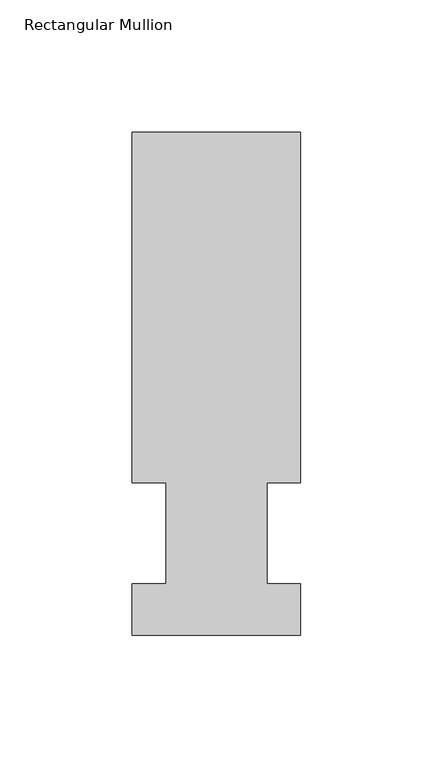
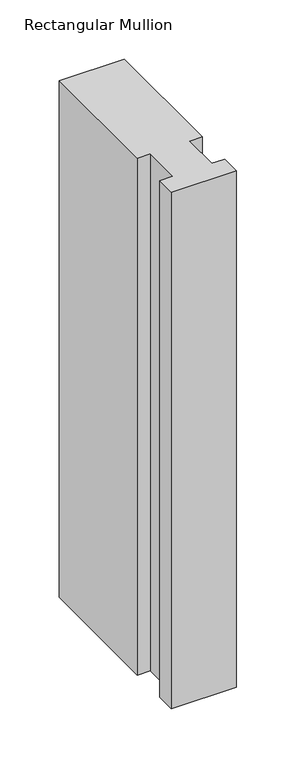
"""IFC4 building model written with IfcOpenShell, lengths in millimetres: member geometry, Rectangular Mullion."""

import ifcopenshell
import ifcopenshell.guid

model = None  # the IFC model being written
_history = None  # IfcOwnerHistory: only IFC2X3 demands one
_inside = {}  # id of a spatial element -> (the spatial element, [elements in it])
_under = {}  # id of a project, library or spatial element -> (it, [spatial elements below it])
_declared = {}  # id of a project -> (the project, [libraries it declares])
_typed = {}  # id of a type object -> (the type object, [elements of that type])
_made_of = {}  # id of a material, layer set ... -> (it, [elements and type objects made of it])


def new_model(schema):
    """Start an empty IFC model of exactly this schema.

    Asked for "IFC4X3", IfcOpenShell would pick the latest addendum, in which some entities
    have other attributes; the version numbers below select the first issue.
    IFC2X3 requires an IfcOwnerHistory on every rooted entity: one is made here for all.
    """
    global model, _history
    if schema == "IFC4X3":
        model = ifcopenshell.file(schema_version=(4, 3, 0, 0))
    else:
        model = ifcopenshell.file(schema=schema)
    _inside.clear()
    _under.clear()
    _declared.clear()
    _typed.clear()
    _made_of.clear()
    _history = None
    if model.schema == "IFC2X3":
        org = make("IfcOrganization", Name="unknown")
        user = make(
            "IfcPersonAndOrganization",
            ThePerson=make("IfcPerson", FamilyName="unknown"),
            TheOrganization=org,
        )
        app = make(
            "IfcApplication",
            ApplicationDeveloper=org,
            Version="unknown",
            ApplicationFullName="unknown",
            ApplicationIdentifier="unknown",
        )
        _history = make(
            "IfcOwnerHistory",
            OwningUser=user,
            OwningApplication=app,
            ChangeAction="ADDED",
            CreationDate=0,
        )
    return model


def make(cls, **values):
    """One entity of the class cls with the attributes given. An attribute that is None is left unset."""
    return model.create_entity(
        cls, **{name: value for name, value in values.items() if value is not None}
    )


def rooted(cls, **values):
    """An entity with a GlobalId (a new one), such as an element, a storey or a relation."""
    return make(cls, GlobalId=ifcopenshell.guid.new(), OwnerHistory=_history, **values)


def si_unit(unit_type, name, prefix=None):
    """IfcSIUnit, for example si_unit("LENGTHUNIT", "METRE", prefix="MILLI")."""
    return make("IfcSIUnit", UnitType=unit_type, Prefix=prefix, Name=name)


def assignment(units):
    """IfcUnitAssignment: the units of a project."""
    return None if units is None else make("IfcUnitAssignment", Units=units)


def point(xyz):
    """IfcCartesianPoint."""
    return None if xyz is None else make("IfcCartesianPoint", Coordinates=xyz)


def direction(xyz):
    """IfcDirection."""
    return None if xyz is None else make("IfcDirection", DirectionRatios=xyz)


def frame(location, z_axis=None, x_axis=None):
    """IfcAxis2Placement3D, a coordinate frame: its origin and axes. An axis left out is left unset."""
    return make(
        "IfcAxis2Placement3D",
        Location=point(location),
        Axis=direction(z_axis),
        RefDirection=direction(x_axis),
    )


def origin():
    """The frame at (0, 0, 0) with its axes left unset."""
    return frame((0.0, 0.0, 0.0))


def place(relative_to, where):
    """IfcLocalPlacement: puts the frame where relative to a parent placement (None: the world)."""
    return make(
        "IfcLocalPlacement", PlacementRelTo=relative_to, RelativePlacement=where
    )


def context(
    kind, dimensions, precision=None, world=None, true_north=None, identifier=None
):
    """IfcGeometricRepresentationContext, for example the 3D "Model" context."""
    return make(
        "IfcGeometricRepresentationContext",
        ContextIdentifier=identifier,
        ContextType=kind,
        CoordinateSpaceDimension=dimensions,
        Precision=precision,
        WorldCoordinateSystem=world,
        TrueNorth=true_north,
    )


def project(units=None, contexts=None):
    """IfcProject with its units and contexts."""
    return rooted(
        "IfcProject",
        Name="project",
        RepresentationContexts=contexts,
        UnitsInContext=assignment(units),
    )


def spatial(cls, under=None, at=None, **own):
    """A site, building, storey or space (cls), placed at a placement, below another one or the project."""
    s = rooted(cls, ObjectPlacement=at, **own)
    if under is not None:
        _under.setdefault(under.id(), (under, []))[1].append(s)
    return s


def polyline(points):
    """IfcPolyline through the points."""
    return make("IfcPolyline", Points=[point(p) for p in points])


def outline(outer, holes=None, kind="AREA"):
    """IfcArbitraryClosedProfileDef: a profile drawn as a closed curve; with holes, ...WithVoids."""
    if holes is None:
        return make("IfcArbitraryClosedProfileDef", ProfileType=kind, OuterCurve=outer)
    return make(
        "IfcArbitraryProfileDefWithVoids",
        ProfileType=kind,
        OuterCurve=outer,
        InnerCurves=holes,
    )


def extrude(swept, where, along, depth):
    """IfcExtrudedAreaSolid: the profile swept, set in the frame where, extruded along a direction by depth."""
    return make(
        "IfcExtrudedAreaSolid",
        SweptArea=swept,
        Position=where,
        ExtrudedDirection=direction(along),
        Depth=depth,
    )


def shape(context_of_items, identifier, shape_type, items):
    """IfcShapeRepresentation: the items that make up one representation, for example the "Body"."""
    return make(
        "IfcShapeRepresentation",
        ContextOfItems=context_of_items,
        RepresentationIdentifier=identifier,
        RepresentationType=shape_type,
        Items=items,
    )


def source(mapping_origin, context_of_items, identifier, shape_type, items):
    """IfcRepresentationMap: a shape defined once, which mapped items show again and again."""
    return make(
        "IfcRepresentationMap",
        MappingOrigin=mapping_origin,
        MappedRepresentation=shape(context_of_items, identifier, shape_type, items),
    )


def transform(
    local_origin,
    x_axis=None,
    y_axis=None,
    z_axis=None,
    scale=None,
    scale2=None,
    scale3=None,
    uniform=True,
):
    """IfcCartesianTransformationOperator3D, or its non-uniform kind. x_axis, y_axis, z_axis: its Axis1, 2, 3."""
    if uniform:
        return make(
            "IfcCartesianTransformationOperator3D",
            Axis1=direction(x_axis),
            Axis2=direction(y_axis),
            LocalOrigin=point(local_origin),
            Scale=scale,
            Axis3=direction(z_axis),
        )
    return make(
        "IfcCartesianTransformationOperator3DnonUniform",
        Axis1=direction(x_axis),
        Axis2=direction(y_axis),
        LocalOrigin=point(local_origin),
        Scale=scale,
        Axis3=direction(z_axis),
        Scale2=scale2,
        Scale3=scale3,
    )


def mapped(mapping_source, mapping_target):
    """IfcMappedItem: shows the shape of a source again, moved by a transform."""
    return make(
        "IfcMappedItem", MappingSource=mapping_source, MappingTarget=mapping_target
    )


def made_of(thing, what):
    """Note that an element or type object is made of a material, layer set ...; save() writes the relation."""
    if what is not None:
        _made_of.setdefault(what.id(), (what, []))[1].append(thing)
    return thing


def element(
    cls,
    number,
    at=None,
    inside=None,
    cuts=None,
    type_object=None,
    material=None,
    context=None,
    identifier="Body",
    shape_type=None,
    held_by="IfcProductDefinitionShape",
    body=None,
    shapes=None,
    **own,
):
    """One element of the class cls, such as IfcWall. Its Tag is "e" and its number.

    at: its placement. inside: the storey or other place that contains it. cuts: it is an
    opening in that element (IfcRelVoidsElement). A single representation is given by context,
    identifier, shape_type and body (its items); several are given by shapes. held_by: the class
    of the entity that holds the representations. save() writes the other relations.
    """
    e = rooted(cls, Tag="e%d" % number, ObjectPlacement=at, **own)
    if body is not None:
        shapes = [shape(context, identifier, shape_type, body)]
    if shapes is not None:
        e.Representation = make(held_by, Representations=shapes)
    if inside is not None:
        _inside.setdefault(inside.id(), (inside, []))[1].append(e)
    if cuts is not None:
        rooted(
            "IfcRelVoidsElement", RelatingBuildingElement=cuts, RelatedOpeningElement=e
        )
    if type_object is not None:
        _typed.setdefault(type_object.id(), (type_object, []))[1].append(e)
    return made_of(e, material)


def aggregate(whole, parts):
    """IfcRelAggregates: a whole, such as a stair, and the parts it consists of."""
    return rooted("IfcRelAggregates", RelatingObject=whole, RelatedObjects=parts)


def save(model, path):
    """Write the relations noted so far, then the file.

    IfcRelAggregates (storeys below a building ...), IfcRelContainedInSpatialStructure (elements
    in a storey), IfcRelDefinesByType, IfcRelAssociatesMaterial and IfcRelDeclares: one each for
    every whole, place, type object, material and project.
    """
    for whole, parts in _under.values():
        aggregate(whole, parts)
    for where, things in _inside.values():
        rooted(
            "IfcRelContainedInSpatialStructure",
            RelatedElements=things,
            RelatingStructure=where,
        )
    for kind, things in _typed.values():
        rooted("IfcRelDefinesByType", RelatedObjects=things, RelatingType=kind)
    for what, things in _made_of.values():
        rooted("IfcRelAssociatesMaterial", RelatedObjects=things, RelatingMaterial=what)
    for by, libraries in _declared.values():
        rooted("IfcRelDeclares", RelatingContext=by, RelatedDefinitions=libraries)
    model.write(path)


def rectangular_mullion_6bc24391(model_context):
    return source(origin(), model_context, "Body", "SweptSolid", [
        extrude(outline(polyline([(-1e-07, 0.0134937), (-63.5000001, 0.0134937), (-63.5000001, 19.5460937), (-50.8, 19.5460937), (-50.8, 57.6460937), (-63.5, 57.6460937), (-63.5, 189.8022938), (0.0, 189.8022938), (0.0, 57.6460937), (-12.6873001, 57.6460937), (-12.6873001, 19.5460937), (-1e-07, 19.5460937), (-1e-07, 0.0134937)])), frame((0.0, 0.0, -533.4), z_axis=(0.0, 0.0, 1.0), x_axis=(1.0, 0.0, 0.0)), (0.0, 0.0, 1.0), 533.4),
    ])


if __name__ == "__main__":
    model = new_model("IFC4")
    model_context = context("Model", 3, world=origin())
    ifc_project = project(units=[si_unit("LENGTHUNIT", "METRE", prefix="MILLI")], contexts=[model_context])
    site = spatial("IfcSite", under=ifc_project)
    building = spatial("IfcBuilding", under=site)
    placement = place(None, origin())
    rectangular_mullion_shape = rectangular_mullion_6bc24391(model_context)
    element("IfcMember", 1, ObjectType="Rectangular Mullion", at=placement, inside=building, context=model_context, shape_type="MappedRepresentation", body=[
        mapped(rectangular_mullion_shape, transform((0.0, 0.0, 0.0), x_axis=(1.0, 0.0, 0.0), y_axis=(0.0, 1.0, 0.0), z_axis=(0.0, 0.0, 1.0))),
    ])
    save(model, "model.ifc")
